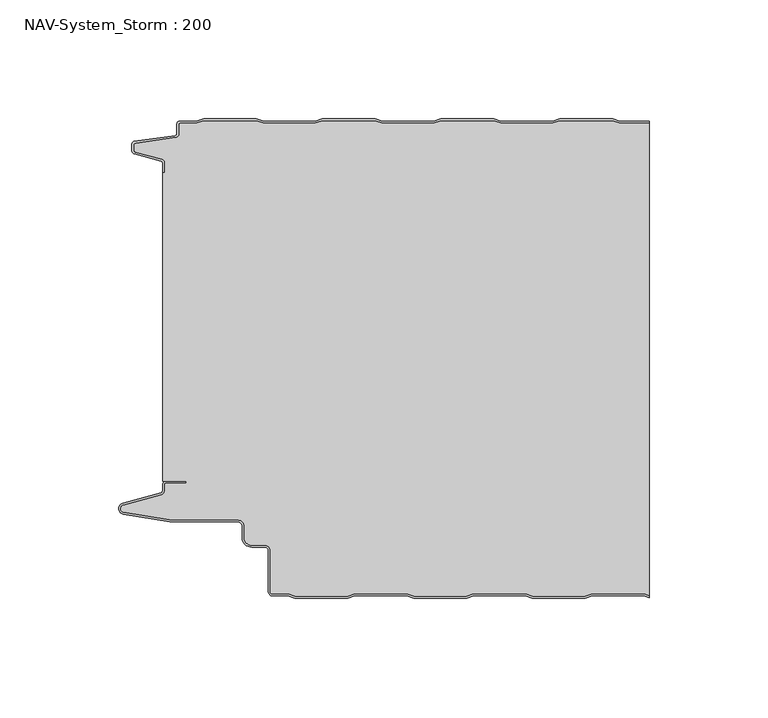
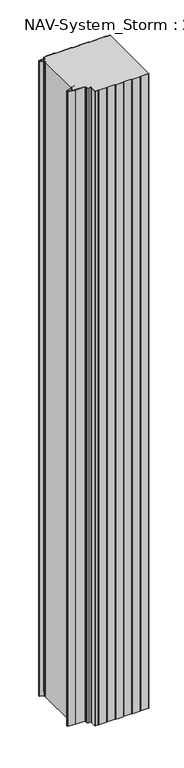
"""IFC4 building model written with IfcOpenShell, lengths in millimetres: plate geometry, NAV-System_Storm : 200."""

from ifc_helpers import new_model, si_unit, point, frame, frame_2d, origin, origin_with_axes, place, context, project, spatial, polyline, circle_curve, trimmed, segment, composite_curve, outline, extrude, source, transform, mapped, element, save
from ifc_brep_helpers import plane_surface, cylinder_surface, revolved_surface, advanced_brep


def nav_system_storm_200_1678e760(model_context):
    return source(origin(), model_context, "Body", "SolidModel", [
        extrude(outline(composite_curve([segment(polyline([(86.8684174, -0.8), (83.8684174, 0.2), (61.8684174, 0.2), (58.8684174, -0.8), (36.8684174, -0.8), (33.8684174, 0.2), (11.8684174, 0.2), (8.8684174, -0.8), (-13.1315826, -0.8), (-16.1315826, 0.2), (-38.1315826, 0.2), (-41.1315826, -0.8), (-63.1315826, -0.8), (-66.1315826, 0.2), (-88.1315826, 0.2), (-91.1315826, -0.8), (-98.2000153, -0.8)]), True, "CONTINUOUS"), segment(trimmed(circle_curve(frame_2d((-98.2000153, -1.3)), 0.5), [point((-98.2000153, -0.8))], [point((-98.7000153, -1.3))], True, "CARTESIAN"), True, "CONTINUOUS"), segment(polyline([(-98.7000153, -1.3), (-98.7000153, -5.3964683)]), True, "CONTINUOUS"), segment(trimmed(circle_curve(frame_2d((-100.2000153, -5.3964683)), 1.5), [point((-98.7000153, -5.3964683))], [point((-99.991136, -6.8818536))], False, "CARTESIAN"), True, "CONTINUOUS"), segment(polyline([(-99.991136, -6.8818536), (-116.9352336, -9.2645825)]), True, "CONTINUOUS"), segment(trimmed(circle_curve(frame_2d((-116.8115062, -10.1444347)), 0.8885091), [point((-116.9352336, -9.2645825))], [point((-117.7000153, -10.1444347))], True, "CARTESIAN"), True, "CONTINUOUS"), segment(polyline([(-117.7000153, -10.1444347), (-117.7000153, -12.46995)]), True, "CONTINUOUS"), segment(trimmed(circle_curve(frame_2d((-117.1000153, -12.46995)), 0.6), [point((-117.7000153, -12.46995))], [point((-117.2553067, -13.0495055))], True, "CARTESIAN"), True, "CONTINUOUS"), segment(polyline([(-117.2553067, -13.0495055), (-105.8785784, -16.0978907)]), True, "CONTINUOUS"), segment(trimmed(circle_curve(frame_2d((-106.266807, -17.5467794)), 1.5), [point((-105.8785784, -16.0978907))], [point((-104.766807, -17.5467794))], False, "CARTESIAN"), True, "CONTINUOUS"), segment(polyline([(-104.766807, -17.5467794), (-104.766807, -21.623446), (-105.566807, -21.623446), (-105.566807, -17.5467794)]), True, "CONTINUOUS"), segment(trimmed(circle_curve(frame_2d((-106.266807, -17.5467794)), 0.7), [point((-105.566807, -17.5467794))], [point((-106.0856337, -16.8706313))], True, "CARTESIAN"), True, "CONTINUOUS"), segment(polyline([(-106.0856337, -16.8706313), (-117.53648, -13.8023863)]), True, "CONTINUOUS"), segment(trimmed(circle_curve(frame_2d((-117.2000153, -12.5466827)), 1.3), [point((-117.53648, -13.8023863))], [point((-118.5000153, -12.5466827))], False, "CARTESIAN"), True, "CONTINUOUS"), segment(polyline([(-118.5000153, -12.5466827), (-118.5000153, -9.8067363)]), True, "CONTINUOUS"), segment(trimmed(circle_curve(frame_2d((-117.2000153, -9.8067363)), 1.3), [point((-118.5000153, -9.8067363))], [point((-117.3810439, -8.5194024))], False, "CARTESIAN"), True, "CONTINUOUS"), segment(polyline([(-117.3810439, -8.5194024), (-100.1025383, -6.0896481)]), True, "CONTINUOUS"), segment(trimmed(circle_curve(frame_2d((-100.2000153, -5.3964683)), 0.7), [point((-100.1025383, -6.0896481))], [point((-99.5000153, -5.3964683))], True, "CARTESIAN"), True, "CONTINUOUS"), segment(polyline([(-99.5000153, -5.3964683), (-99.5000153, -1.3)]), True, "CONTINUOUS"), segment(trimmed(circle_curve(frame_2d((-98.2000153, -1.3)), 1.3), [point((-99.5000153, -1.3))], [point((-98.2000153, 0.0))], False, "CARTESIAN"), True, "CONTINUOUS"), segment(polyline([(-98.2000153, 0.0), (-91.2614047, 0.0), (-88.2614047, 1.0), (-66.0017605, 1.0), (-63.0017605, 0.0), (-41.2614047, 0.0), (-38.2614047, 1.0), (-16.0017605, 1.0), (-13.0017605, 0.0), (8.7385953, 0.0), (11.7385953, 1.0), (33.9982395, 1.0), (36.9982395, 0.0), (58.7385953, 0.0), (61.7385953, 1.0), (83.9982395, 1.0), (86.9982395, 0.0), (99.5, 0.0), (99.5, -0.8), (86.8684174, -0.8)]), True, "CONTINUOUS")], self_intersect=False)), origin_with_axes(), (0.0, 0.0, 1.0), 2000.0),
        advanced_brep(
        [(86.8684327, -0.8, 2000.0), (83.8684327, 0.2, 2000.0), (61.8684327, 0.2, 2000.0), (58.8684327, -0.8, 2000.0), (36.8684327, -0.8, 2000.0), (33.8684327, 0.2, 2000.0), (11.8684327, 0.2, 2000.0), (8.8684327, -0.8, 2000.0), (-13.1315673, -0.8, 2000.0), (-16.1315673, 0.2, 2000.0), (-38.1315673, 0.2, 2000.0), (-41.1315673, -0.8, 2000.0), (-63.1315673, -0.8, 2000.0), (-66.1315673, 0.2, 2000.0), (-88.1315673, 0.2, 2000.0), (-91.1315673, -0.8, 2000.0), (-98.2, -0.8, 2000.0), (-98.7, -1.3, 2000.0), (-98.7, -5.3964683, 2000.0), (-99.9911207, -6.8818536, 2000.0), (-116.9352183, -9.2645825, 2000.0), (-117.7, -10.1444347, 2000.0), (-117.7, -12.46995, 2000.0), (-117.2552914, -13.0495055, 2000.0), (-105.8785632, -16.0978907, 2000.0), (-104.7667917, -17.5467794, 2000.0), (-104.7667917, -21.623446, 2000.0), (-105.5667917, -21.623446, 2000.0), (-105.5667917, -151.7763253, 2000.0), (-95.5330891, -151.7763253, 2000.0), (-95.5330891, -152.5763253, 2000.0), (-104.0330891, -152.5763253, 2000.0), (-104.7330891, -153.2763253, 2000.0), (-104.7330891, -155.8624192, 2000.0), (-105.9560377, -157.4561968, 2000.0), (-122.0574978, -161.8079393, 2000.0), (-121.9021816, -164.8341065, 2000.0), (-102.4332334, -168.0040626, 2000.0), (-73.9661198, -168.0040626, 2000.0), (-71.1661198, -170.806803, 2000.0), (-71.1661198, -175.5, 2000.0), (-67.9661198, -178.7, 2000.0), (-62.4661198, -178.7, 2000.0), (-60.1661198, -181.0, 2000.0), (-60.1661198, -198.2484002, 2000.0), (-59.2161211, -199.2, 2000.0), (-52.5977024, -199.2, 2000.0), (-49.5977024, -200.2, 2000.0), (-27.5977024, -200.2, 2000.0), (-24.5977024, -199.2, 2000.0), (-2.5977024, -199.2, 2000.0), (0.4022976, -200.2, 2000.0), (22.4022976, -200.2, 2000.0), (25.4022976, -199.2, 2000.0), (47.4022976, -199.2, 2000.0), (50.4022976, -200.2, 2000.0), (72.4022976, -200.2, 2000.0), (75.4022976, -199.2, 2000.0), (97.4022976, -199.2, 2000.0), (99.5, -199.8992341, 2000.0), (99.5, -0.8, 2000.0), (97.4022976, -199.2, 0.0), (75.4022976, -199.2, 0.0), (72.4022976, -200.2, 0.0), (50.4022976, -200.2, 0.0), (47.4022976, -199.2, 0.0), (25.4022976, -199.2, 0.0), (22.4022976, -200.2, 0.0), (0.4022976, -200.2, 0.0), (-2.5977024, -199.2, 0.0), (-24.5977024, -199.2, 0.0), (-27.5977024, -200.2, 0.0), (-49.5977024, -200.2, 0.0), (-52.5977024, -199.2, 0.0), (-59.2161211, -199.2, 0.0), (-60.1661198, -198.2484002, 0.0), (-60.1661198, -181.0, 0.0), (-62.4661198, -178.7, 0.0), (-67.9661198, -178.7, 0.0), (-71.1661198, -175.5, 0.0), (-71.1661198, -170.806803, 0.0), (-73.9661198, -168.006803, 0.0), (-102.4332334, -168.0040626, 0.0), (-121.9021816, -164.8341065, 0.0), (-122.0574978, -161.8079393, 0.0), (-105.9560377, -157.4561968, 0.0), (-104.7330891, -155.8624192, 0.0), (-104.7330891, -153.2763253, 0.0), (-104.0330891, -152.5763253, 0.0), (-95.5330891, -152.5763253, 0.0), (-95.5330891, -151.7763253, 0.0), (-105.5667917, -151.7763253, 0.0), (-105.5667917, -21.623446, 0.0), (-104.7667917, -21.623446, 0.0), (-104.7667917, -17.5467794, 0.0), (-105.8785632, -16.0978907, 0.0), (-117.2552914, -13.0495055, 0.0), (-117.7, -12.46995, 0.0), (-117.7, -10.1444347, 0.0), (-116.9352183, -9.2645825, 0.0), (-99.9911207, -6.8818536, 0.0), (-98.7, -5.3964683, 0.0), (-98.7, -1.3, 0.0), (-98.2, -0.8, 0.0), (-91.1315673, -0.8, 0.0), (-88.1315673, 0.2, 0.0), (-66.1315673, 0.2, 0.0), (-63.1315673, -0.8, 0.0), (-41.1315673, -0.8, 0.0), (-38.1315673, 0.2, 0.0), (-16.1315673, 0.2, 0.0), (-13.1315673, -0.8, 0.0), (8.8684327, -0.8, 0.0), (11.8684327, 0.2, 0.0), (33.8684327, 0.2, 0.0), (36.8684327, -0.8, 0.0), (58.8684327, -0.8, 0.0), (61.8684327, 0.2, 0.0), (83.8684327, 0.2, 0.0), (86.8684327, -0.8, 0.0), (99.5, -0.8, 0.0), (99.5, -199.8992341, 0.0)],
        [
            (0, 1),
            (1, 2),
            (2, 3),
            (3, 4),
            (4, 5),
            (5, 6),
            (6, 7),
            (7, 8),
            (8, 9),
            (9, 10),
            (10, 11),
            (11, 12),
            (12, 13),
            (13, 14),
            (14, 15),
            (15, 16),
            (16, 17, circle_curve(frame((-98.2, -1.3, 2000.0), z_axis=(0.0, 0.0, 1.0), x_axis=(1.0, 0.0, 0.0)), 0.5)),
            (17, 18),
            (18, 19, circle_curve(frame((-100.2, -5.3964683, 2000.0), z_axis=(0.0, 0.0, -1.0), x_axis=(1.0, 0.0, 0.0)), 1.5)),
            (19, 20),
            (20, 21, circle_curve(frame((-116.8114909, -10.1444347, 2000.0), z_axis=(0.0, 0.0, 1.0), x_axis=(1.0, 0.0, 0.0)), 0.8885091)),
            (21, 22),
            (22, 23, circle_curve(frame((-117.1, -12.46995, 2000.0), z_axis=(0.0, 0.0, 1.0), x_axis=(1.0, 0.0, 0.0)), 0.6)),
            (23, 24),
            (24, 25, circle_curve(frame((-106.2667917, -17.5467794, 2000.0), z_axis=(0.0, 0.0, -1.0), x_axis=(1.0, 0.0, 0.0)), 1.5)),
            (25, 26),
            (26, 27),
            (27, 28),
            (28, 29),
            (29, 30),
            (30, 31),
            (31, 32, circle_curve(frame((-104.0330891, -153.2763253, 2000.0), z_axis=(0.0, 0.0, 1.0), x_axis=(1.0, 0.0, 0.0)), 0.7)),
            (32, 33),
            (33, 34, circle_curve(frame((-106.3830891, -155.8624192, 2000.0), z_axis=(0.0, 0.0, -1.0), x_axis=(1.0, 0.0, 0.0)), 1.65)),
            (34, 35),
            (35, 36, circle_curve(frame((-121.6530891, -163.3042526, 2000.0), z_axis=(0.0, 0.0, 1.0), x_axis=(1.0, 0.0, 0.0)), 1.55)),
            (36, 37),
            (37, 38),
            (38, 39, circle_curve(frame((-73.9661198, -170.806803, 2000.0), z_axis=(0.0, 0.0, -1.0), x_axis=(1.0, 0.0, 0.0)), 2.8)),
            (39, 40),
            (40, 41, circle_curve(frame((-67.9661198, -175.5, 2000.0), z_axis=(0.0, 0.0, 1.0), x_axis=(1.0, 0.0, 0.0)), 3.2)),
            (41, 42),
            (42, 43, circle_curve(frame((-62.4661198, -181.0, 2000.0), z_axis=(0.0, 0.0, -1.0), x_axis=(1.0, 0.0, 0.0)), 2.3)),
            (43, 44),
            (44, 45, circle_curve(frame((-59.2161211, -198.25, 2000.0), z_axis=(0.0, 0.0, 1.0), x_axis=(1.0, 0.0, 0.0)), 0.95)),
            (45, 46),
            (46, 47),
            (47, 48),
            (48, 49),
            (49, 50),
            (50, 51),
            (51, 52),
            (52, 53),
            (53, 54),
            (54, 55),
            (55, 56),
            (56, 57),
            (57, 58),
            (58, 59),
            (59, 60),
            (60, 0),
            (61, 62),
            (62, 63),
            (63, 64),
            (64, 65),
            (65, 66),
            (66, 67),
            (67, 68),
            (68, 69),
            (69, 70),
            (70, 71),
            (71, 72),
            (72, 73),
            (73, 74),
            (74, 75, circle_curve(frame((-59.2161211, -198.25, 0.0), z_axis=(0.0, 0.0, -1.0), x_axis=(1.0, 0.0, 0.0)), 0.95)),
            (75, 76),
            (76, 77, circle_curve(frame((-62.4661198, -181.0, 0.0), z_axis=(0.0, 0.0, 1.0), x_axis=(1.0, 0.0, 0.0)), 2.3)),
            (77, 78),
            (78, 79, circle_curve(frame((-67.9661198, -175.5, 0.0), z_axis=(0.0, 0.0, -1.0), x_axis=(1.0, 0.0, 0.0)), 3.2)),
            (79, 80),
            (80, 81, circle_curve(frame((-73.9661198, -170.806803, 0.0), z_axis=(0.0, 0.0, 1.0), x_axis=(1.0, 0.0, 0.0)), 2.8)),
            (81, 82),
            (82, 83),
            (83, 84, circle_curve(frame((-121.6530891, -163.3042526, 0.0), z_axis=(0.0, 0.0, -1.0), x_axis=(1.0, 0.0, 0.0)), 1.55)),
            (84, 85),
            (85, 86, circle_curve(frame((-106.3830891, -155.8624192, 0.0), z_axis=(0.0, 0.0, 1.0), x_axis=(1.0, 0.0, 0.0)), 1.65)),
            (86, 87),
            (87, 88, circle_curve(frame((-104.0330891, -153.2763253, 0.0), z_axis=(0.0, 0.0, -1.0), x_axis=(1.0, 0.0, 0.0)), 0.7)),
            (88, 89),
            (89, 90),
            (90, 91),
            (91, 92),
            (92, 93),
            (93, 94),
            (94, 95, circle_curve(frame((-106.2667917, -17.5467794, 0.0), z_axis=(0.0, 0.0, 1.0), x_axis=(1.0, 0.0, 0.0)), 1.5)),
            (95, 96),
            (96, 97, circle_curve(frame((-117.1, -12.46995, 0.0), z_axis=(0.0, 0.0, -1.0), x_axis=(1.0, 0.0, 0.0)), 0.6)),
            (97, 98),
            (98, 99, circle_curve(frame((-116.8114909, -10.1444347, 0.0), z_axis=(0.0, 0.0, -1.0), x_axis=(1.0, 0.0, 0.0)), 0.8885091)),
            (99, 100),
            (100, 101, circle_curve(frame((-100.2, -5.3964683, 0.0), z_axis=(0.0, 0.0, 1.0), x_axis=(1.0, 0.0, 0.0)), 1.5)),
            (101, 102),
            (102, 103, circle_curve(frame((-98.2, -1.3, 0.0), z_axis=(0.0, 0.0, -1.0), x_axis=(1.0, 0.0, 0.0)), 0.5)),
            (103, 104),
            (104, 105),
            (105, 106),
            (106, 107),
            (107, 108),
            (108, 109),
            (109, 110),
            (110, 111),
            (111, 112),
            (112, 113),
            (113, 114),
            (114, 115),
            (115, 116),
            (116, 117),
            (117, 118),
            (118, 119),
            (119, 120),
            (120, 121),
            (121, 61),
            (119, 0),
            (60, 120),
            (118, 1),
            (117, 2),
            (116, 3),
            (115, 4),
            (114, 5),
            (113, 6),
            (112, 7),
            (111, 8),
            (110, 9),
            (109, 10),
            (108, 11),
            (107, 12),
            (106, 13),
            (105, 14),
            (104, 15),
            (103, 16),
            (102, 17),
            (101, 18),
            (100, 19),
            (99, 20),
            (98, 21),
            (97, 22),
            (96, 23),
            (95, 24),
            (94, 25),
            (93, 26),
            (92, 27),
            (91, 28),
            (90, 29),
            (89, 30),
            (88, 31),
            (87, 32),
            (86, 33),
            (85, 34),
            (84, 35),
            (83, 36),
            (82, 37),
            (81, 38),
            (80, 39),
            (79, 40),
            (78, 41),
            (77, 42),
            (76, 43),
            (75, 44),
            (74, 45),
            (73, 46),
            (72, 47),
            (71, 48),
            (70, 49),
            (69, 50),
            (68, 51),
            (67, 52),
            (66, 53),
            (65, 54),
            (64, 55),
            (63, 56),
            (62, 57),
            (61, 58),
            (121, 59),
        ],
        [
            plane_surface(frame((-99.5, 0.0, 2000.0), z_axis=(0.0, 0.0, 1.0), x_axis=(0.0, -1.0, 0.0))),
            plane_surface(frame((-99.5, 0.0, 0.0), z_axis=(0.0, 0.0, -1.0), x_axis=(0.0, -1.0, 0.0))),
            plane_surface(frame((108.8684327, -0.8, 2000.0), z_axis=(0.0, 1.0, 0.0), x_axis=(0.0, 0.0, -1.0))),
            plane_surface(frame((86.8684327, -0.8, 2000.0), z_axis=(0.3162277660167034, 0.9486832980505586, 0.0), x_axis=(0.0, 0.0, -1.0))),
            plane_surface(frame((83.8684327, 0.2, 2000.0), z_axis=(0.0, 1.0, 0.0), x_axis=(0.0, 0.0, -1.0))),
            plane_surface(frame((61.8684327, 0.2, 2000.0), z_axis=(-0.3162277660167478, 0.948683298050544, 0.0), x_axis=(0.0, 0.0, -1.0))),
            plane_surface(frame((58.8684327, -0.8, 2000.0), z_axis=(0.0, 1.0, 0.0), x_axis=(0.0, 0.0, -1.0))),
            plane_surface(frame((36.8684327, -0.8, 2000.0), z_axis=(0.3162277660167612, 0.9486832980505394, 0.0), x_axis=(0.0, 0.0, -1.0))),
            plane_surface(frame((33.8684327, 0.2, 2000.0), z_axis=(0.0, 1.0, 0.0), x_axis=(0.0, 0.0, -1.0))),
            plane_surface(frame((11.8684327, 0.2, 2000.0), z_axis=(-0.3162277660168056, 0.9486832980505246, 0.0), x_axis=(0.0, 0.0, -1.0))),
            plane_surface(frame((8.8684327, -0.8, 2000.0), z_axis=(0.0, 1.0, 0.0), x_axis=(0.0, 0.0, -1.0))),
            plane_surface(frame((-13.1315673, -0.8, 2000.0), z_axis=(0.3162277660167548, 0.9486832980505415, 0.0), x_axis=(0.0, 0.0, -1.0))),
            plane_surface(frame((-16.1315673, 0.2, 2000.0), z_axis=(0.0, 1.0, 0.0), x_axis=(0.0, 0.0, -1.0))),
            plane_surface(frame((-38.1315673, 0.2, 2000.0), z_axis=(-0.31622776601682484, 0.9486832980505183, 0.0), x_axis=(0.0, 0.0, -1.0))),
            plane_surface(frame((-41.1315673, -0.8, 2000.0), z_axis=(0.0, 1.0, 0.0), x_axis=(0.0, 0.0, -1.0))),
            plane_surface(frame((-63.1315673, -0.8, 2000.0), z_axis=(0.3162277660167034, 0.9486832980505586, 0.0), x_axis=(0.0, 0.0, -1.0))),
            plane_surface(frame((-66.1315673, 0.2, 2000.0), z_axis=(0.0, 1.0, 0.0), x_axis=(0.0, 0.0, -1.0))),
            plane_surface(frame((-88.1315673, 0.2, 2000.0), z_axis=(-0.31622776601670927, 0.9486832980505567, 0.0), x_axis=(0.0, 0.0, -1.0))),
            plane_surface(frame((-91.1315673, -0.8, 2000.0), z_axis=(0.0, 1.0, 0.0), x_axis=(0.0, 0.0, -1.0))),
            cylinder_surface(frame((-98.2, -1.3, 2000.0), z_axis=(0.0, 0.0, 1.0), x_axis=(1.0, 0.0, 0.0)), 0.5),
            plane_surface(frame((-98.7, -1.3, 2000.0), z_axis=(-1.0, 0.0, 0.0), x_axis=(0.0, 0.0, -1.0))),
            revolved_surface(polyline([(-98.7, -5.3964683, 0.0), (-98.7, -5.3964683, 2000.0)]), (-100.2, -5.3964683, 2000.0), (0.0, 0.0, -1.0)),
            plane_surface(frame((-99.9911207, -6.8818536, 2000.0), z_axis=(-0.13925283650469739, 0.9902568593680107, 0.0), x_axis=(0.0, 0.0, -1.0))),
            cylinder_surface(frame((-116.8114909, -10.1444347, 2000.0), z_axis=(0.0, 0.0, 1.0), x_axis=(1.0, 0.0, 0.0)), 0.8885091),
            plane_surface(frame((-117.7, -10.1444347, 2000.0), z_axis=(-1.0, 0.0, 0.0), x_axis=(0.0, 0.0, -1.0))),
            cylinder_surface(frame((-117.1, -12.46995, 2000.0), z_axis=(0.0, 0.0, 1.0), x_axis=(1.0, 0.0, 0.0)), 0.6),
            plane_surface(frame((-117.2552914, -13.0495055, 2000.0), z_axis=(-0.2588190451027143, -0.9659258262890165, 0.0), x_axis=(0.0, 0.0, -1.0))),
            revolved_surface(polyline([(-104.7667917, -17.5467794, 0.0), (-104.7667917, -17.5467794, 2000.0)]), (-106.2667917, -17.5467794, 2000.0), (0.0, 0.0, -1.0)),
            plane_surface(frame((-104.7667917, -17.5467794, 2000.0), z_axis=(-1.0, 0.0, 0.0), x_axis=(0.0, 0.0, -1.0))),
            plane_surface(frame((-104.7667917, -21.623446, 2000.0), z_axis=(0.0, 1.0, 0.0), x_axis=(0.0, 0.0, -1.0))),
            plane_surface(frame((-105.5667917, -21.623446, 2000.0), z_axis=(-1.0, 0.0, 0.0), x_axis=(0.0, 0.0, -1.0))),
            plane_surface(frame((-105.5667917, -151.7763253, 2000.0), z_axis=(0.0, -1.0, 0.0), x_axis=(0.0, 0.0, -1.0))),
            plane_surface(frame((-95.5330891, -151.7763253, 2000.0), z_axis=(-1.0, 0.0, 0.0), x_axis=(0.0, 0.0, -1.0))),
            plane_surface(frame((-95.5330891, -152.5763253, 2000.0), z_axis=(0.0, 1.0, 0.0), x_axis=(0.0, 0.0, -1.0))),
            cylinder_surface(frame((-104.0330891, -153.2763253, 2000.0), z_axis=(0.0, 0.0, 1.0), x_axis=(1.0, 0.0, 0.0)), 0.7),
            plane_surface(frame((-104.7330891, -153.2763253, 2000.0), z_axis=(-1.0, 0.0, 0.0), x_axis=(0.0, 0.0, -1.0))),
            revolved_surface(polyline([(-104.7330891, -155.8624192, 0.0), (-104.7330891, -155.8624192, 2000.0)]), (-106.3830891, -155.8624192, 2000.0), (0.0, 0.0, -1.0)),
            plane_surface(frame((-105.9560377, -157.4561968, 2000.0), z_axis=(-0.2609088270168501, 0.9653634465757918, 0.0), x_axis=(0.0, 0.0, -1.0))),
            cylinder_surface(frame((-121.6530891, -163.3042526, 2000.0), z_axis=(0.0, 0.0, 1.0), x_axis=(1.0, 0.0, 0.0)), 1.55),
            plane_surface(frame((-121.9021816, -164.8341065, 2000.0), z_axis=(-0.16070486280353136, -0.9870025061119643, 0.0), x_axis=(0.0, 0.0, -1.0))),
            plane_surface(frame((-102.4332334, -168.0040626, 2000.0), z_axis=(0.0, -1.0, 0.0), x_axis=(0.0, 0.0, -1.0))),
            revolved_surface(polyline([(-71.1661198, -170.806803, 0.0), (-71.1661198, -170.806803, 2000.0)]), (-73.9661198, -170.806803, 2000.0), (0.0, 0.0, -1.0)),
            plane_surface(frame((-71.1661198, -170.806803, 2000.0), z_axis=(-1.0, 0.0, 0.0), x_axis=(0.0, 0.0, -1.0))),
            cylinder_surface(frame((-67.9661198, -175.5, 2000.0), z_axis=(0.0, 0.0, 1.0), x_axis=(1.0, 0.0, 0.0)), 3.2),
            plane_surface(frame((-67.9661198, -178.7, 2000.0), z_axis=(0.0, -1.0, 0.0), x_axis=(0.0, 0.0, -1.0))),
            revolved_surface(polyline([(-60.166119800000004, -181.0, 0.0), (-60.166119800000004, -181.0, 2000.0)]), (-62.4661198, -181.0, 2000.0), (0.0, 0.0, -1.0)),
            plane_surface(frame((-60.1661198, -181.0, 2000.0), z_axis=(-1.0, 0.0, 0.0), x_axis=(0.0, 0.0, -1.0))),
            cylinder_surface(frame((-59.2161211, -198.25, 2000.0), z_axis=(0.0, 0.0, 1.0), x_axis=(1.0, 0.0, 0.0)), 0.95),
            plane_surface(frame((-59.2161211, -199.2, 2000.0), z_axis=(0.0, -1.0, 0.0), x_axis=(0.0, 0.0, -1.0))),
            plane_surface(frame((-52.5977024, -199.2, 2000.0), z_axis=(-0.3162277660167031, -0.9486832980505587, 0.0), x_axis=(0.0, 0.0, -1.0))),
            plane_surface(frame((-49.5977024, -200.2, 2000.0), z_axis=(0.0, -1.0, 0.0), x_axis=(0.0, 0.0, -1.0))),
            plane_surface(frame((-27.5977024, -200.2, 2000.0), z_axis=(0.31622776601667746, -0.9486832980505674, 0.0), x_axis=(0.0, 0.0, -1.0))),
            plane_surface(frame((-24.5977024, -199.2, 2000.0), z_axis=(0.0, -1.0, 0.0), x_axis=(0.0, 0.0, -1.0))),
            plane_surface(frame((-2.5977024, -199.2, 2000.0), z_axis=(-0.31622776601683794, -0.9486832980505139, 0.0), x_axis=(0.0, 0.0, -1.0))),
            plane_surface(frame((0.4022976, -200.2, 2000.0), z_axis=(0.0, -1.0, 0.0), x_axis=(0.0, 0.0, -1.0))),
            plane_surface(frame((22.4022976, -200.2, 2000.0), z_axis=(0.31622776601674163, -0.948683298050546, 0.0), x_axis=(0.0, 0.0, -1.0))),
            plane_surface(frame((25.4022976, -199.2, 2000.0), z_axis=(0.0, -1.0, 0.0), x_axis=(0.0, 0.0, -1.0))),
            plane_surface(frame((47.4022976, -199.2, 2000.0), z_axis=(-0.3162277660168251, -0.9486832980505182, 0.0), x_axis=(0.0, 0.0, -1.0))),
            plane_surface(frame((50.4022976, -200.2, 2000.0), z_axis=(0.0, -1.0, 0.0), x_axis=(0.0, 0.0, -1.0))),
            plane_surface(frame((72.4022976, -200.2, 2000.0), z_axis=(0.31622776601674163, -0.948683298050546, 0.0), x_axis=(0.0, 0.0, -1.0))),
            plane_surface(frame((75.4022976, -199.2, 2000.0), z_axis=(0.0, -1.0, 0.0), x_axis=(0.0, 0.0, -1.0))),
            plane_surface(frame((97.4022976, -199.2, 2000.0), z_axis=(-0.31622776601677377, -0.9486832980505353, 0.0), x_axis=(0.0, 0.0, -1.0))),
            plane_surface(frame((99.5, 100.0, 2000.0), z_axis=(1.0, 0.0, 0.0), x_axis=(0.0, 0.0, -1.0))),
        ],
        [
            (0, [[1, 2, 3, 4, 5, 6, 7, 8, 9, 10, 11, 12, 13, 14, 15, 16, 17, 18, 19, 20, 21, 22, 23, 24, 25, 26, 27, 28, 29, 30, 31, 32, 33, 34, 35, 36, 37, 38, 39, 40, 41, 42, 43, 44, 45, 46, 47, 48, 49, 50, 51, 52, 53, 54, 55, 56, 57, 58, 59, 60, 61]]),
            (1, [[62, 63, 64, 65, 66, 67, 68, 69, 70, 71, 72, 73, 74, 75, 76, 77, 78, 79, 80, 81, 82, 83, 84, 85, 86, 87, 88, 89, 90, 91, 92, 93, 94, 95, 96, 97, 98, 99, 100, 101, 102, 103, 104, 105, 106, 107, 108, 109, 110, 111, 112, 113, 114, 115, 116, 117, 118, 119, 120, 121, 122]]),
            (2, [[123, -61, 124, -120]]),
            (3, [[-1, -123, -119, 125]]),
            (4, [[-2, -125, -118, 126]]),
            (5, [[-3, -126, -117, 127]]),
            (6, [[-4, -127, -116, 128]]),
            (7, [[-5, -128, -115, 129]]),
            (8, [[-6, -129, -114, 130]]),
            (9, [[-7, -130, -113, 131]]),
            (10, [[-8, -131, -112, 132]]),
            (11, [[-9, -132, -111, 133]]),
            (12, [[-10, -133, -110, 134]]),
            (13, [[-11, -134, -109, 135]]),
            (14, [[-12, -135, -108, 136]]),
            (15, [[-13, -136, -107, 137]]),
            (16, [[-14, -137, -106, 138]]),
            (17, [[-15, -138, -105, 139]]),
            (18, [[-16, -139, -104, 140]]),
            (19, [[-17, -140, -103, 141]]),
            (20, [[-18, -141, -102, 142]]),
            (21, [[-19, -142, -101, 143]]),
            (22, [[-20, -143, -100, 144]]),
            (23, [[-21, -144, -99, 145]]),
            (24, [[-22, -145, -98, 146]]),
            (25, [[-23, -146, -97, 147]]),
            (26, [[-24, -147, -96, 148]]),
            (27, [[-25, -148, -95, 149]]),
            (28, [[-26, -149, -94, 150]]),
            (29, [[-27, -150, -93, 151]]),
            (30, [[-28, -151, -92, 152]]),
            (31, [[-29, -152, -91, 153]]),
            (32, [[-30, -153, -90, 154]]),
            (33, [[-31, -154, -89, 155]]),
            (34, [[-32, -155, -88, 156]]),
            (35, [[-33, -156, -87, 157]]),
            (36, [[-34, -157, -86, 158]]),
            (37, [[-35, -158, -85, 159]]),
            (38, [[-36, -159, -84, 160]]),
            (39, [[-37, -160, -83, 161]]),
            (40, [[-38, -161, -82, 162]]),
            (41, [[-39, -162, -81, 163]]),
            (42, [[-40, -163, -80, 164]]),
            (43, [[-41, -164, -79, 165]]),
            (44, [[-42, -165, -78, 166]]),
            (45, [[-43, -166, -77, 167]]),
            (46, [[-44, -167, -76, 168]]),
            (47, [[-45, -168, -75, 169]]),
            (48, [[-46, -169, -74, 170]]),
            (49, [[-47, -170, -73, 171]]),
            (50, [[-48, -171, -72, 172]]),
            (51, [[-49, -172, -71, 173]]),
            (52, [[-50, -173, -70, 174]]),
            (53, [[-51, -174, -69, 175]]),
            (54, [[-52, -175, -68, 176]]),
            (55, [[-53, -176, -67, 177]]),
            (56, [[-54, -177, -66, 178]]),
            (57, [[-55, -178, -65, 179]]),
            (58, [[-56, -179, -64, 180]]),
            (59, [[-57, -180, -63, 181]]),
            (60, [[-58, -181, -62, 182]]),
            (61, [[-182, -122, 183, -59]]),
            (62, [[-60, -183, -121, -124]]),
        ],
    ),
        advanced_brep(
        [(97.3684174, -199.2, 2000.0), (75.3684174, -199.2, 2000.0), (72.3684174, -200.2, 2000.0), (50.3684174, -200.2, 2000.0), (47.3684174, -199.2, 2000.0), (25.3684174, -199.2, 2000.0), (22.3684174, -200.2, 2000.0), (0.3684174, -200.2, 2000.0), (-2.6315826, -199.2, 2000.0), (-24.6315826, -199.2, 2000.0), (-27.6315826, -200.2, 2000.0), (-49.6315826, -200.2, 2000.0), (-52.6315826, -199.2, 2000.0), (-59.2500013, -199.2, 2000.0), (-60.2, -198.2484002, 2000.0), (-60.2, -181.0, 2000.0), (-62.5, -178.7, 2000.0), (-68.0, -178.7, 2000.0), (-71.2, -175.5, 2000.0), (-71.2, -170.806803, 2000.0), (-74.0, -168.006803, 2000.0), (-102.4671136, -168.0040626, 2000.0), (-121.9360619, -164.8341065, 2000.0), (-122.091378, -161.8079393, 2000.0), (-105.9899179, -157.4561968, 2000.0), (-104.7669693, -155.8624192, 2000.0), (-104.7669693, -153.2763253, 2000.0), (-104.0669693, -152.5763253, 2000.0), (-95.5669693, -152.5763253, 2000.0), (-95.5669693, -151.7763253, 2000.0), (-104.0669693, -151.7763253, 2000.0), (-105.5669693, -153.2763253, 2000.0), (-105.5669693, -155.9006976, 2000.0), (-106.1582424, -156.6729884, 2000.0), (-122.3001048, -161.0356484, 2000.0), (-122.0646249, -165.6237086, 2000.0), (-102.4341193, -168.806803, 2000.0), (-74.0, -168.806803, 2000.0), (-72.0, -170.806803, 2000.0), (-72.0, -175.5, 2000.0), (-68.0, -179.5, 2000.0), (-62.5, -179.5, 2000.0), (-61.0, -181.0, 2000.0), (-61.0, -198.2478286, 2000.0), (-59.2500013, -200.0, 2000.0), (-52.7614047, -200.0, 2000.0), (-49.7614047, -201.0, 2000.0), (-27.5017605, -201.0, 2000.0), (-24.5017605, -200.0, 2000.0), (-2.7614047, -200.0, 2000.0), (0.2385953, -201.0, 2000.0), (22.4982395, -201.0, 2000.0), (25.4982395, -200.0, 2000.0), (47.2385953, -200.0, 2000.0), (50.2385953, -201.0, 2000.0), (72.4982395, -201.0, 2000.0), (75.4982395, -200.0, 2000.0), (97.2385953, -200.0, 2000.0), (99.5, -200.7538016, 2000.0), (99.5, -199.9105275, 2000.0), (97.2385953, -200.0, 0.0), (75.4982395, -200.0, 0.0), (72.4982395, -201.0, 0.0), (50.2385953, -201.0, 0.0), (47.2385953, -200.0, 0.0), (25.4982395, -200.0, 0.0), (22.4982395, -201.0, 0.0), (0.2385953, -201.0, 0.0), (-2.7614047, -200.0, 0.0), (-24.5017605, -200.0, 0.0), (-27.5017605, -201.0, 0.0), (-49.7614047, -201.0, 0.0), (-52.7614047, -200.0, 0.0), (-59.2500013, -200.0, 0.0), (-61.0, -198.2478286, 0.0), (-61.0, -181.0, 0.0), (-62.5, -179.5, 0.0), (-68.0, -179.5, 0.0), (-72.0, -175.5, 0.0), (-72.0, -170.806803, 0.0), (-74.0, -168.806803, 0.0), (-102.4341193, -168.806803, 0.0), (-122.0646249, -165.6237086, 0.0), (-122.3001048, -161.0356484, 0.0), (-106.1582424, -156.6729884, 0.0), (-105.5669693, -155.9006976, 0.0), (-105.5669693, -153.2763253, 0.0), (-104.0669693, -151.7763253, 0.0), (-95.5669693, -151.7763253, 0.0), (-95.5669693, -152.5763253, 0.0), (-104.0669693, -152.5763253, 0.0), (-104.7669693, -153.2763253, 0.0), (-104.7669693, -155.8624192, 0.0), (-105.9899179, -157.4561968, 0.0), (-122.091378, -161.8079393, 0.0), (-121.9360619, -164.8341065, 0.0), (-102.4671136, -168.0040626, 0.0), (-74.0, -168.0040626, 0.0), (-71.2, -170.806803, 0.0), (-71.2, -175.5, 0.0), (-68.0, -178.7, 0.0), (-62.5, -178.7, 0.0), (-60.2, -181.0, 0.0), (-60.2, -198.2484002, 0.0), (-59.2500013, -199.2, 0.0), (-52.6315826, -199.2, 0.0), (-49.6315826, -200.2, 0.0), (-27.6315826, -200.2, 0.0), (-24.6315826, -199.2, 0.0), (-2.6315826, -199.2, 0.0), (0.3684174, -200.2, 0.0), (22.3684174, -200.2, 0.0), (25.3684174, -199.2, 0.0), (47.3684174, -199.2, 0.0), (50.3684174, -200.2, 0.0), (72.3684174, -200.2, 0.0), (75.3684174, -199.2, 0.0), (97.3684174, -199.2, 0.0), (99.5, -199.9105275, 0.0), (99.5, -200.7538016, 0.0)],
        [
            (0, 1),
            (1, 2),
            (2, 3),
            (3, 4),
            (4, 5),
            (5, 6),
            (6, 7),
            (7, 8),
            (8, 9),
            (9, 10),
            (10, 11),
            (11, 12),
            (12, 13),
            (13, 14, circle_curve(frame((-59.2500013, -198.25, 2000.0), z_axis=(0.0, 0.0, -1.0), x_axis=(1.0, 0.0, 0.0)), 0.95)),
            (14, 15),
            (15, 16, circle_curve(frame((-62.5, -181.0, 2000.0), z_axis=(0.0, 0.0, 1.0), x_axis=(1.0, 0.0, 0.0)), 2.3)),
            (16, 17),
            (17, 18, circle_curve(frame((-68.0, -175.5, 2000.0), z_axis=(0.0, 0.0, -1.0), x_axis=(1.0, 0.0, 0.0)), 3.2)),
            (18, 19),
            (19, 20, circle_curve(frame((-74.0, -170.806803, 2000.0), z_axis=(0.0, 0.0, 1.0), x_axis=(1.0, 0.0, 0.0)), 2.8)),
            (20, 21),
            (21, 22),
            (22, 23, circle_curve(frame((-121.6869693, -163.3042526, 2000.0), z_axis=(0.0, 0.0, -1.0), x_axis=(1.0, 0.0, 0.0)), 1.55)),
            (23, 24),
            (24, 25, circle_curve(frame((-106.4169693, -155.8624192, 2000.0), z_axis=(0.0, 0.0, 1.0), x_axis=(1.0, 0.0, 0.0)), 1.65)),
            (25, 26),
            (26, 27, circle_curve(frame((-104.0669693, -153.2763253, 2000.0), z_axis=(0.0, 0.0, -1.0), x_axis=(1.0, 0.0, 0.0)), 0.7)),
            (27, 28),
            (28, 29),
            (29, 30),
            (30, 31, circle_curve(frame((-104.0669693, -153.2763253, 2000.0), z_axis=(0.0, 0.0, 1.0), x_axis=(1.0, 0.0, 0.0)), 1.5)),
            (31, 32),
            (32, 33, circle_curve(frame((-106.3669693, -155.9006976, 2000.0), z_axis=(0.0, 0.0, -1.0), x_axis=(1.0, 0.0, 0.0)), 0.8)),
            (33, 34),
            (34, 35, circle_curve(frame((-121.6869693, -163.3042526, 2000.0), z_axis=(0.0, 0.0, 1.0), x_axis=(1.0, 0.0, 0.0)), 2.35)),
            (35, 36),
            (36, 37),
            (37, 38, circle_curve(frame((-74.0, -170.806803, 2000.0), z_axis=(0.0, 0.0, -1.0), x_axis=(1.0, 0.0, 0.0)), 2.0)),
            (38, 39),
            (39, 40, circle_curve(frame((-68.0, -175.5, 2000.0), z_axis=(0.0, 0.0, 1.0), x_axis=(1.0, 0.0, 0.0)), 4.0)),
            (40, 41),
            (41, 42, circle_curve(frame((-62.5, -181.0, 2000.0), z_axis=(0.0, 0.0, -1.0), x_axis=(1.0, 0.0, 0.0)), 1.5)),
            (42, 43),
            (43, 44, circle_curve(frame((-59.2500013, -198.25, 2000.0), z_axis=(0.0, 0.0, 1.0), x_axis=(1.0, 0.0, 0.0)), 1.75)),
            (44, 45),
            (45, 46),
            (46, 47),
            (47, 48),
            (48, 49),
            (49, 50),
            (50, 51),
            (51, 52),
            (52, 53),
            (53, 54),
            (54, 55),
            (55, 56),
            (56, 57),
            (57, 58),
            (58, 59),
            (59, 0),
            (60, 61),
            (61, 62),
            (62, 63),
            (63, 64),
            (64, 65),
            (65, 66),
            (66, 67),
            (67, 68),
            (68, 69),
            (69, 70),
            (70, 71),
            (71, 72),
            (72, 73),
            (73, 74, circle_curve(frame((-59.2500013, -198.25, 0.0), z_axis=(0.0, 0.0, -1.0), x_axis=(1.0, 0.0, 0.0)), 1.75)),
            (74, 75),
            (75, 76, circle_curve(frame((-62.5, -181.0, 0.0), z_axis=(0.0, 0.0, 1.0), x_axis=(1.0, 0.0, 0.0)), 1.5)),
            (76, 77),
            (77, 78, circle_curve(frame((-68.0, -175.5, 0.0), z_axis=(0.0, 0.0, -1.0), x_axis=(1.0, 0.0, 0.0)), 4.0)),
            (78, 79),
            (79, 80, circle_curve(frame((-74.0, -170.806803, 0.0), z_axis=(0.0, 0.0, 1.0), x_axis=(1.0, 0.0, 0.0)), 2.0)),
            (80, 81),
            (81, 82),
            (82, 83, circle_curve(frame((-121.6869693, -163.3042526, 0.0), z_axis=(0.0, 0.0, -1.0), x_axis=(1.0, 0.0, 0.0)), 2.35)),
            (83, 84),
            (84, 85, circle_curve(frame((-106.3669693, -155.9006976, 0.0), z_axis=(0.0, 0.0, 1.0), x_axis=(1.0, 0.0, 0.0)), 0.8)),
            (85, 86),
            (86, 87, circle_curve(frame((-104.0669693, -153.2763253, 0.0), z_axis=(0.0, 0.0, -1.0), x_axis=(1.0, 0.0, 0.0)), 1.5)),
            (87, 88),
            (88, 89),
            (89, 90),
            (90, 91, circle_curve(frame((-104.0669693, -153.2763253, 0.0), z_axis=(0.0, 0.0, 1.0), x_axis=(1.0, 0.0, 0.0)), 0.7)),
            (91, 92),
            (92, 93, circle_curve(frame((-106.4169693, -155.8624192, 0.0), z_axis=(0.0, 0.0, -1.0), x_axis=(1.0, 0.0, 0.0)), 1.65)),
            (93, 94),
            (94, 95, circle_curve(frame((-121.6869693, -163.3042526, 0.0), z_axis=(0.0, 0.0, 1.0), x_axis=(1.0, 0.0, 0.0)), 1.55)),
            (95, 96),
            (96, 97),
            (97, 98, circle_curve(frame((-74.0, -170.806803, 0.0), z_axis=(0.0, 0.0, -1.0), x_axis=(1.0, 0.0, 0.0)), 2.8)),
            (98, 99),
            (99, 100, circle_curve(frame((-68.0, -175.5, 0.0), z_axis=(0.0, 0.0, 1.0), x_axis=(1.0, 0.0, 0.0)), 3.2)),
            (100, 101),
            (101, 102, circle_curve(frame((-62.5, -181.0, 0.0), z_axis=(0.0, 0.0, -1.0), x_axis=(1.0, 0.0, 0.0)), 2.3)),
            (102, 103),
            (103, 104, circle_curve(frame((-59.2500013, -198.25, 0.0), z_axis=(0.0, 0.0, 1.0), x_axis=(1.0, 0.0, 0.0)), 0.95)),
            (104, 105),
            (105, 106),
            (106, 107),
            (107, 108),
            (108, 109),
            (109, 110),
            (110, 111),
            (111, 112),
            (112, 113),
            (113, 114),
            (114, 115),
            (115, 116),
            (116, 117),
            (117, 118),
            (118, 119),
            (119, 60),
            (44, 73),
            (72, 45),
            (71, 46),
            (70, 47),
            (69, 48),
            (68, 49),
            (67, 50),
            (66, 51),
            (65, 52),
            (64, 53),
            (63, 54),
            (62, 55),
            (61, 56),
            (60, 57),
            (119, 58),
            (117, 0),
            (59, 118),
            (116, 1),
            (115, 2),
            (114, 3),
            (113, 4),
            (112, 5),
            (111, 6),
            (110, 7),
            (109, 8),
            (108, 9),
            (107, 10),
            (106, 11),
            (105, 12),
            (104, 13),
            (103, 14),
            (102, 15),
            (101, 16),
            (100, 17),
            (99, 18),
            (98, 19),
            (97, 20),
            (96, 21),
            (95, 22),
            (94, 23),
            (93, 24),
            (92, 25),
            (91, 26),
            (90, 27),
            (89, 28),
            (88, 29),
            (87, 30),
            (86, 31),
            (85, 32),
            (84, 33),
            (83, 34),
            (82, 35),
            (81, 36),
            (80, 37),
            (79, 38),
            (78, 39),
            (77, 40),
            (76, 41),
            (75, 42),
            (74, 43),
        ],
        [
            plane_surface(frame((-99.5, -200.0, 2000.0), z_axis=(0.0, 0.0, 1.0), x_axis=(-1.0, 0.0, 0.0))),
            plane_surface(frame((-99.5, -200.0, 0.0), z_axis=(0.0, 0.0, -1.0), x_axis=(-1.0, 0.0, 0.0))),
            plane_surface(frame((-59.2500013, -200.0, 2000.0), z_axis=(0.0, -1.0, 0.0), x_axis=(0.0, 0.0, -1.0))),
            plane_surface(frame((-52.7614047, -200.0, 2000.0), z_axis=(-0.3162277660167412, -0.9486832980505461, 0.0), x_axis=(0.0, 0.0, -1.0))),
            plane_surface(frame((-49.7614047, -201.0, 2000.0), z_axis=(0.0, -1.0, 0.0), x_axis=(0.0, 0.0, -1.0))),
            plane_surface(frame((-27.5017605, -201.0, 2000.0), z_axis=(0.3162277660167414, -0.9486832980505461, 0.0), x_axis=(0.0, 0.0, -1.0))),
            plane_surface(frame((-24.5017605, -200.0, 2000.0), z_axis=(0.0, -1.0, 0.0), x_axis=(0.0, 0.0, -1.0))),
            plane_surface(frame((-2.7614047, -200.0, 2000.0), z_axis=(-0.3162277660168044, -0.948683298050525, 0.0), x_axis=(0.0, 0.0, -1.0))),
            plane_surface(frame((0.2385953, -201.0, 2000.0), z_axis=(0.0, -1.0, 0.0), x_axis=(0.0, 0.0, -1.0))),
            plane_surface(frame((22.4982395, -201.0, 2000.0), z_axis=(0.31622776601679237, -0.9486832980505291, 0.0), x_axis=(0.0, 0.0, -1.0))),
            plane_surface(frame((25.4982395, -200.0, 2000.0), z_axis=(0.0, -1.0, 0.0), x_axis=(0.0, 0.0, -1.0))),
            plane_surface(frame((47.2385953, -200.0, 2000.0), z_axis=(-0.3162277660168044, -0.948683298050525, 0.0), x_axis=(0.0, 0.0, -1.0))),
            plane_surface(frame((50.2385953, -201.0, 2000.0), z_axis=(0.0, -1.0, 0.0), x_axis=(0.0, 0.0, -1.0))),
            plane_surface(frame((72.4982395, -201.0, 2000.0), z_axis=(0.31622776601679237, -0.9486832980505291, 0.0), x_axis=(0.0, 0.0, -1.0))),
            plane_surface(frame((75.4982395, -200.0, 2000.0), z_axis=(0.0, -1.0, 0.0), x_axis=(0.0, 0.0, -1.0))),
            plane_surface(frame((97.2385953, -200.0, 2000.0), z_axis=(-0.31622776601675345, -0.948683298050542, 0.0), x_axis=(0.0, 0.0, -1.0))),
            plane_surface(frame((100.3684174, -200.2, 2000.0), z_axis=(0.3162277660167308, 0.9486832980505495, 0.0), x_axis=(0.0, 0.0, -1.0))),
            plane_surface(frame((97.3684174, -199.2, 2000.0), z_axis=(0.0, 1.0, 0.0), x_axis=(0.0, 0.0, -1.0))),
            plane_surface(frame((75.3684174, -199.2, 2000.0), z_axis=(-0.3162277660167753, 0.9486832980505348, 0.0), x_axis=(0.0, 0.0, -1.0))),
            plane_surface(frame((72.3684174, -200.2, 2000.0), z_axis=(0.0, 1.0, 0.0), x_axis=(0.0, 0.0, -1.0))),
            plane_surface(frame((50.3684174, -200.2, 2000.0), z_axis=(0.3162277660167874, 0.9486832980505308, 0.0), x_axis=(0.0, 0.0, -1.0))),
            plane_surface(frame((47.3684174, -199.2, 2000.0), z_axis=(0.0, 1.0, 0.0), x_axis=(0.0, 0.0, -1.0))),
            plane_surface(frame((25.3684174, -199.2, 2000.0), z_axis=(-0.3162277660167753, 0.9486832980505348, 0.0), x_axis=(0.0, 0.0, -1.0))),
            plane_surface(frame((22.3684174, -200.2, 2000.0), z_axis=(0.0, 1.0, 0.0), x_axis=(0.0, 0.0, -1.0))),
            plane_surface(frame((0.3684174, -200.2, 2000.0), z_axis=(0.3162277660167874, 0.9486832980505308, 0.0), x_axis=(0.0, 0.0, -1.0))),
            plane_surface(frame((-2.6315826, -199.2, 2000.0), z_axis=(0.0, 1.0, 0.0), x_axis=(0.0, 0.0, -1.0))),
            plane_surface(frame((-24.6315826, -199.2, 2000.0), z_axis=(-0.31622776601671876, 0.9486832980505536, 0.0), x_axis=(0.0, 0.0, -1.0))),
            plane_surface(frame((-27.6315826, -200.2, 2000.0), z_axis=(0.0, 1.0, 0.0), x_axis=(0.0, 0.0, -1.0))),
            plane_surface(frame((-49.6315826, -200.2, 2000.0), z_axis=(0.31622776601671854, 0.9486832980505536, 0.0), x_axis=(0.0, 0.0, -1.0))),
            plane_surface(frame((-52.6315826, -199.2, 2000.0), z_axis=(0.0, 1.0, 0.0), x_axis=(0.0, 0.0, -1.0))),
            revolved_surface(polyline([(-58.3000013, -198.25, 0.0), (-58.3000013, -198.25, 2000.0)]), (-59.2500013, -198.25, 2000.0), (0.0, 0.0, -1.0)),
            plane_surface(frame((-60.2, -198.2484002, 2000.0), z_axis=(1.0, 0.0, 0.0), x_axis=(0.0, 0.0, -1.0))),
            cylinder_surface(frame((-62.5, -181.0, 2000.0), z_axis=(0.0, 0.0, 1.0), x_axis=(1.0, 0.0, 0.0)), 2.3),
            plane_surface(frame((-62.5, -178.7, 2000.0), z_axis=(0.0, 1.0, 0.0), x_axis=(0.0, 0.0, -1.0))),
            revolved_surface(polyline([(-64.8, -175.5, 0.0), (-64.8, -175.5, 2000.0)]), (-68.0, -175.5, 2000.0), (0.0, 0.0, -1.0)),
            plane_surface(frame((-71.2, -175.5, 2000.0), z_axis=(1.0, 0.0, 0.0), x_axis=(0.0, 0.0, -1.0))),
            cylinder_surface(frame((-74.0, -170.806803, 2000.0), z_axis=(0.0, 0.0, 1.0), x_axis=(1.0, 0.0, 0.0)), 2.8),
            plane_surface(frame((-74.0, -168.0040626, 2000.0), z_axis=(0.0, 1.0, 0.0), x_axis=(0.0, 0.0, -1.0))),
            plane_surface(frame((-102.4671136, -168.0040626, 2000.0), z_axis=(0.16070486280342547, 0.9870025061119816, 0.0), x_axis=(0.0, 0.0, -1.0))),
            revolved_surface(polyline([(-120.1369693, -163.3042526, 0.0), (-120.1369693, -163.3042526, 2000.0)]), (-121.6869693, -163.3042526, 2000.0), (0.0, 0.0, -1.0)),
            plane_surface(frame((-122.091378, -161.8079393, 2000.0), z_axis=(0.2609088270169608, -0.9653634465757618, 0.0), x_axis=(0.0, 0.0, -1.0))),
            cylinder_surface(frame((-106.4169693, -155.8624192, 2000.0), z_axis=(0.0, 0.0, 1.0), x_axis=(1.0, 0.0, 0.0)), 1.65),
            plane_surface(frame((-104.7669693, -155.8624192, 2000.0), z_axis=(1.0, 0.0, 0.0), x_axis=(0.0, 0.0, -1.0))),
            revolved_surface(polyline([(-103.3669693, -153.2763253, 0.0), (-103.3669693, -153.2763253, 2000.0)]), (-104.0669693, -153.2763253, 2000.0), (0.0, 0.0, -1.0)),
            plane_surface(frame((-104.0669693, -152.5763253, 2000.0), z_axis=(0.0, -1.0, 0.0), x_axis=(0.0, 0.0, -1.0))),
            plane_surface(frame((-95.5669693, -152.5763253, 2000.0), z_axis=(1.0, 0.0, 0.0), x_axis=(0.0, 0.0, -1.0))),
            plane_surface(frame((-95.5669693, -151.7763253, 2000.0), z_axis=(0.0, 1.0, 0.0), x_axis=(0.0, 0.0, -1.0))),
            cylinder_surface(frame((-104.0669693, -153.2763253, 2000.0), z_axis=(0.0, 0.0, 1.0), x_axis=(1.0, 0.0, 0.0)), 1.5),
            plane_surface(frame((-105.5669693, -153.2763253, 2000.0), z_axis=(-1.0, 0.0, 0.0), x_axis=(0.0, 0.0, -1.0))),
            revolved_surface(polyline([(-105.5669693, -155.9006976, 0.0), (-105.5669693, -155.9006976, 2000.0)]), (-106.3669693, -155.9006976, 2000.0), (0.0, 0.0, -1.0)),
            plane_surface(frame((-106.1582424, -156.6729884, 2000.0), z_axis=(-0.26090871859979187, 0.965363475877669, 0.0), x_axis=(0.0, 0.0, -1.0))),
            cylinder_surface(frame((-121.6869693, -163.3042526, 2000.0), z_axis=(0.0, 0.0, 1.0), x_axis=(1.0, 0.0, 0.0)), 2.35),
            plane_surface(frame((-122.0646249, -165.6237086, 2000.0), z_axis=(-0.16005984548186533, -0.9871073122332351, 0.0), x_axis=(0.0, 0.0, -1.0))),
            plane_surface(frame((-102.4341193, -168.806803, 2000.0), z_axis=(0.0, -1.0, 0.0), x_axis=(0.0, 0.0, -1.0))),
            revolved_surface(polyline([(-72.0, -170.806803, 0.0), (-72.0, -170.806803, 2000.0)]), (-74.0, -170.806803, 2000.0), (0.0, 0.0, -1.0)),
            plane_surface(frame((-72.0, -170.806803, 2000.0), z_axis=(-1.0, 0.0, 0.0), x_axis=(0.0, 0.0, -1.0))),
            cylinder_surface(frame((-68.0, -175.5, 2000.0), z_axis=(0.0, 0.0, 1.0), x_axis=(1.0, 0.0, 0.0)), 4.0),
            plane_surface(frame((-68.0, -179.5, 2000.0), z_axis=(0.0, -1.0, 0.0), x_axis=(0.0, 0.0, -1.0))),
            revolved_surface(polyline([(-61.0, -181.0, 0.0), (-61.0, -181.0, 2000.0)]), (-62.5, -181.0, 2000.0), (0.0, 0.0, -1.0)),
            plane_surface(frame((-61.0, -181.0, 2000.0), z_axis=(-1.0, 0.0, 0.0), x_axis=(0.0, 0.0, -1.0))),
            cylinder_surface(frame((-59.2500013, -198.25, 2000.0), z_axis=(0.0, 0.0, 1.0), x_axis=(1.0, 0.0, 0.0)), 1.75),
            plane_surface(frame((99.5, 100.0, 2000.0), z_axis=(1.0, 0.0, 0.0), x_axis=(0.0, 0.0, -1.0))),
        ],
        [
            (0, [[1, 2, 3, 4, 5, 6, 7, 8, 9, 10, 11, 12, 13, 14, 15, 16, 17, 18, 19, 20, 21, 22, 23, 24, 25, 26, 27, 28, 29, 30, 31, 32, 33, 34, 35, 36, 37, 38, 39, 40, 41, 42, 43, 44, 45, 46, 47, 48, 49, 50, 51, 52, 53, 54, 55, 56, 57, 58, 59, 60]]),
            (1, [[61, 62, 63, 64, 65, 66, 67, 68, 69, 70, 71, 72, 73, 74, 75, 76, 77, 78, 79, 80, 81, 82, 83, 84, 85, 86, 87, 88, 89, 90, 91, 92, 93, 94, 95, 96, 97, 98, 99, 100, 101, 102, 103, 104, 105, 106, 107, 108, 109, 110, 111, 112, 113, 114, 115, 116, 117, 118, 119, 120]]),
            (2, [[-45, 121, -73, 122]]),
            (3, [[-46, -122, -72, 123]]),
            (4, [[-47, -123, -71, 124]]),
            (5, [[-48, -124, -70, 125]]),
            (6, [[-49, -125, -69, 126]]),
            (7, [[-50, -126, -68, 127]]),
            (8, [[-51, -127, -67, 128]]),
            (9, [[-52, -128, -66, 129]]),
            (10, [[-53, -129, -65, 130]]),
            (11, [[-54, -130, -64, 131]]),
            (12, [[-55, -131, -63, 132]]),
            (13, [[-56, -132, -62, 133]]),
            (14, [[-57, -133, -61, 134]]),
            (15, [[-134, -120, 135, -58]]),
            (16, [[136, -60, 137, -118]]),
            (17, [[-1, -136, -117, 138]]),
            (18, [[-2, -138, -116, 139]]),
            (19, [[-3, -139, -115, 140]]),
            (20, [[-4, -140, -114, 141]]),
            (21, [[-5, -141, -113, 142]]),
            (22, [[-6, -142, -112, 143]]),
            (23, [[-7, -143, -111, 144]]),
            (24, [[-8, -144, -110, 145]]),
            (25, [[-9, -145, -109, 146]]),
            (26, [[-10, -146, -108, 147]]),
            (27, [[-11, -147, -107, 148]]),
            (28, [[-12, -148, -106, 149]]),
            (29, [[-13, -149, -105, 150]]),
            (30, [[-14, -150, -104, 151]]),
            (31, [[-15, -151, -103, 152]]),
            (32, [[-16, -152, -102, 153]]),
            (33, [[-17, -153, -101, 154]]),
            (34, [[-18, -154, -100, 155]]),
            (35, [[-19, -155, -99, 156]]),
            (36, [[-20, -156, -98, 157]]),
            (37, [[-21, -157, -97, 158]]),
            (38, [[-22, -158, -96, 159]]),
            (39, [[-23, -159, -95, 160]]),
            (40, [[-24, -160, -94, 161]]),
            (41, [[-25, -161, -93, 162]]),
            (42, [[-26, -162, -92, 163]]),
            (43, [[-27, -163, -91, 164]]),
            (44, [[-28, -164, -90, 165]]),
            (45, [[-29, -165, -89, 166]]),
            (46, [[-30, -166, -88, 167]]),
            (47, [[-31, -167, -87, 168]]),
            (48, [[-32, -168, -86, 169]]),
            (49, [[-33, -169, -85, 170]]),
            (50, [[-34, -170, -84, 171]]),
            (51, [[-35, -171, -83, 172]]),
            (52, [[-36, -172, -82, 173]]),
            (53, [[-37, -173, -81, 174]]),
            (54, [[-38, -174, -80, 175]]),
            (55, [[-39, -175, -79, 176]]),
            (56, [[-40, -176, -78, 177]]),
            (57, [[-41, -177, -77, 178]]),
            (58, [[-42, -178, -76, 179]]),
            (59, [[-43, -179, -75, 180]]),
            (60, [[-44, -180, -74, -121]]),
            (61, [[-59, -135, -119, -137]]),
        ],
    ),
    ])


if __name__ == "__main__":
    model = new_model("IFC4")
    model_context = context("Model", 3, world=origin())
    ifc_project = project(units=[si_unit("LENGTHUNIT", "METRE", prefix="MILLI")], contexts=[model_context])
    site = spatial("IfcSite", under=ifc_project)
    building = spatial("IfcBuilding", under=site)
    placement = place(None, origin())
    nav_system_storm_200_shape = nav_system_storm_200_1678e760(model_context)
    element("IfcPlate", 1, ObjectType="NAV-System_Storm : 200", at=placement, inside=building, context=model_context, shape_type="MappedRepresentation", body=[
        mapped(nav_system_storm_200_shape, transform((0.0, 0.0, 0.0), x_axis=(1.0, 0.0, 0.0), y_axis=(0.0, 1.0, 0.0), z_axis=(0.0, 0.0, 1.0))),
    ])
    save(model, "model.ifc")
